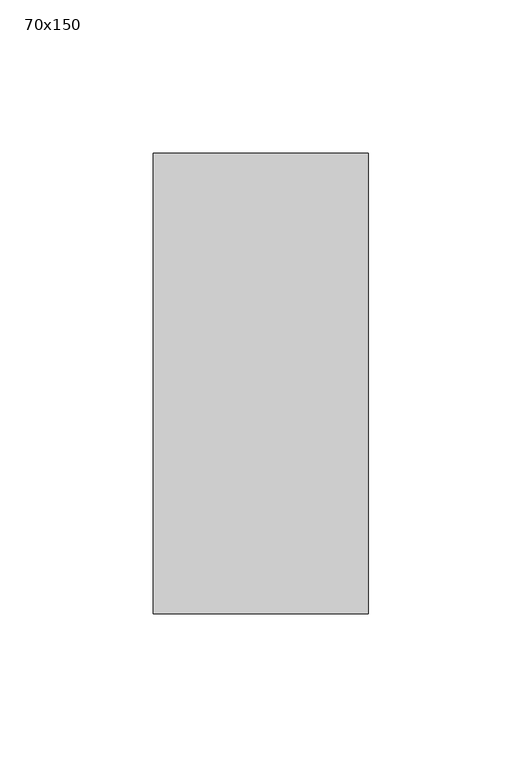
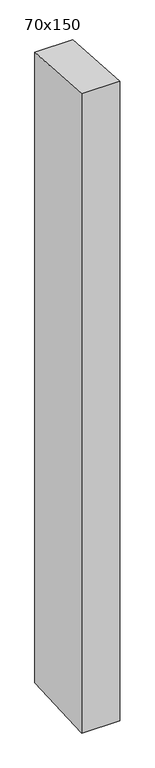
"""IFC4 building model written with IfcOpenShell, lengths in millimetres: member geometry, 70x150."""

from ifc_helpers import new_model, si_unit, frame, origin, place, context, project, spatial, polyline, outline, extrude, source, transform, mapped, element, save


def member_70x150_0c3f7789(model_context):
    return source(origin(), model_context, "Body", "SweptSolid", [
        extrude(outline(polyline([(-75.0, 4.7475929), (75.0, -4.7475929), (75.0, -1237.232109), (-75.0, -1244.7469313), (-75.0, 4.7475929)])), frame((-70.0, 0.0, 0.0), z_axis=(1.0, 0.0, 0.0), x_axis=(0.0, 1.0, 0.0)), (0.0, 0.0, 1.0), 70.0),
    ])


if __name__ == "__main__":
    model = new_model("IFC4")
    model_context = context("Model", 3, world=origin())
    ifc_project = project(units=[si_unit("LENGTHUNIT", "METRE", prefix="MILLI")], contexts=[model_context])
    site = spatial("IfcSite", under=ifc_project)
    building = spatial("IfcBuilding", under=site)
    placement = place(None, origin())
    member_70x150_shape = member_70x150_0c3f7789(model_context)
    element("IfcMember", 1, ObjectType="70x150", at=placement, inside=building, context=model_context, shape_type="MappedRepresentation", body=[
        mapped(member_70x150_shape, transform((0.0, 0.0, 0.0), x_axis=(1.0, 0.0, 0.0), y_axis=(0.0, 1.0, 0.0), z_axis=(0.0, 0.0, 1.0))),
    ])
    save(model, "model.ifc")
